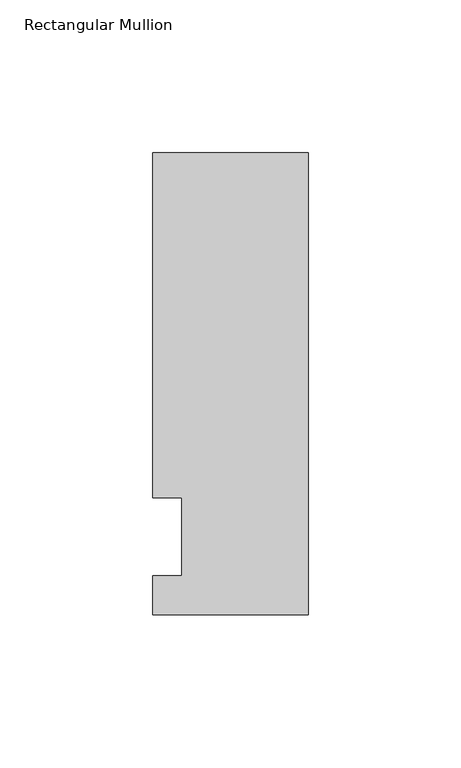
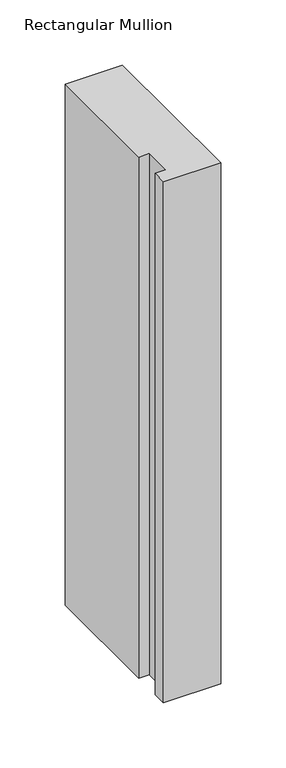
"""IFC4 building model written with IfcOpenShell, lengths in millimetres: member geometry, Rectangular Mullion."""

from ifc_helpers import new_model, si_unit, frame, origin, place, context, project, spatial, polyline, outline, extrude, source, transform, mapped, element, save


def rectangular_mullion_8e4084b7(model_context):
    return source(origin(), model_context, "Body", "SweptSolid", [
        extrude(outline(polyline([(-50.8, -25.5984375), (-50.8, -12.7), (-41.275, -12.7), (-41.275, 12.7), (-50.8, 12.7), (-50.8, 125.6109375), (0.0, 125.6109375), (0.0, -25.5984375), (-50.8, -25.5984375)])), frame((0.0, 0.0, -488.95), z_axis=(0.0, 0.0, 1.0), x_axis=(1.0, 0.0, 0.0)), (0.0, 0.0, 1.0), 488.95),
    ])


if __name__ == "__main__":
    model = new_model("IFC4")
    model_context = context("Model", 3, world=origin())
    ifc_project = project(units=[si_unit("LENGTHUNIT", "METRE", prefix="MILLI")], contexts=[model_context])
    site = spatial("IfcSite", under=ifc_project)
    building = spatial("IfcBuilding", under=site)
    placement = place(None, origin())
    rectangular_mullion_shape = rectangular_mullion_8e4084b7(model_context)
    element("IfcMember", 1, ObjectType="Rectangular Mullion", at=placement, inside=building, context=model_context, shape_type="MappedRepresentation", body=[
        mapped(rectangular_mullion_shape, transform((0.0, 0.0, 0.0), x_axis=(1.0, 0.0, 0.0), y_axis=(0.0, 1.0, 0.0), z_axis=(0.0, 0.0, 1.0))),
    ])
    save(model, "model.ifc")
